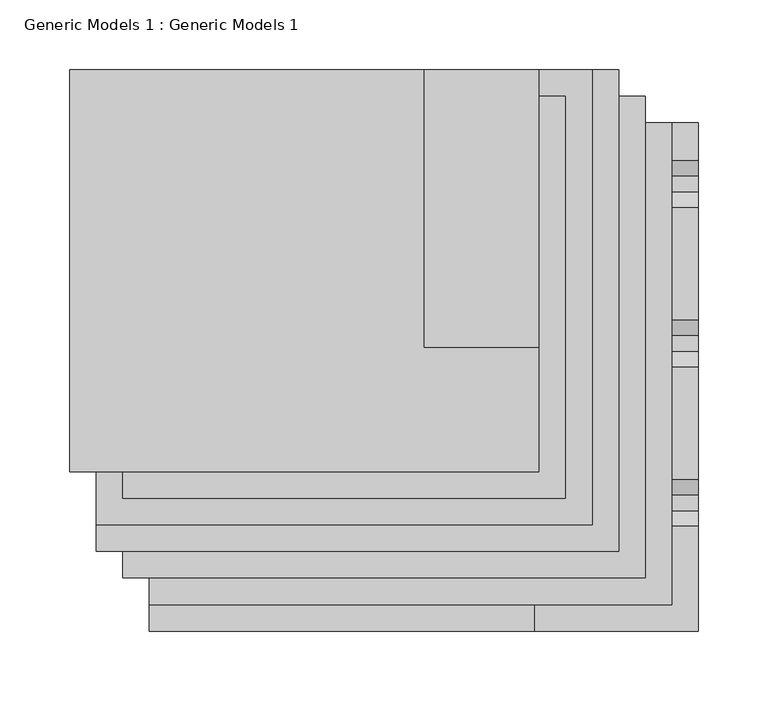
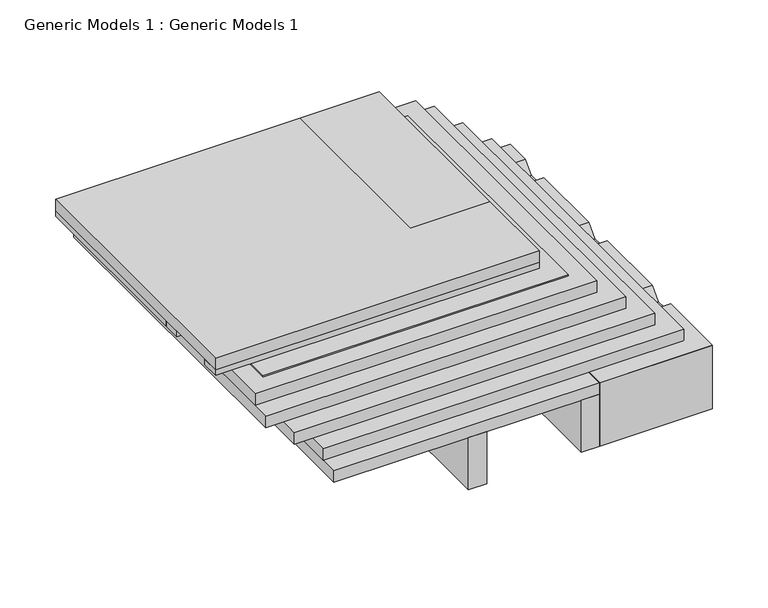
"""IFC4 building model written with IfcOpenShell, lengths in millimetres: proxy geometry, Generic Models 1 : Generic Models 1."""

import ifcopenshell
import ifcopenshell.guid

model = None  # the IFC model being written
_history = None  # IfcOwnerHistory: only IFC2X3 demands one
_inside = {}  # id of a spatial element -> (the spatial element, [elements in it])
_under = {}  # id of a project, library or spatial element -> (it, [spatial elements below it])
_declared = {}  # id of a project -> (the project, [libraries it declares])
_typed = {}  # id of a type object -> (the type object, [elements of that type])
_made_of = {}  # id of a material, layer set ... -> (it, [elements and type objects made of it])


def new_model(schema):
    """Start an empty IFC model of exactly this schema.

    Asked for "IFC4X3", IfcOpenShell would pick the latest addendum, in which some entities
    have other attributes; the version numbers below select the first issue.
    IFC2X3 requires an IfcOwnerHistory on every rooted entity: one is made here for all.
    """
    global model, _history
    if schema == "IFC4X3":
        model = ifcopenshell.file(schema_version=(4, 3, 0, 0))
    else:
        model = ifcopenshell.file(schema=schema)
    _inside.clear()
    _under.clear()
    _declared.clear()
    _typed.clear()
    _made_of.clear()
    _history = None
    if model.schema == "IFC2X3":
        org = make("IfcOrganization", Name="unknown")
        user = make(
            "IfcPersonAndOrganization",
            ThePerson=make("IfcPerson", FamilyName="unknown"),
            TheOrganization=org,
        )
        app = make(
            "IfcApplication",
            ApplicationDeveloper=org,
            Version="unknown",
            ApplicationFullName="unknown",
            ApplicationIdentifier="unknown",
        )
        _history = make(
            "IfcOwnerHistory",
            OwningUser=user,
            OwningApplication=app,
            ChangeAction="ADDED",
            CreationDate=0,
        )
    return model


def make(cls, **values):
    """One entity of the class cls with the attributes given. An attribute that is None is left unset."""
    return model.create_entity(
        cls, **{name: value for name, value in values.items() if value is not None}
    )


def rooted(cls, **values):
    """An entity with a GlobalId (a new one), such as an element, a storey or a relation."""
    return make(cls, GlobalId=ifcopenshell.guid.new(), OwnerHistory=_history, **values)


def si_unit(unit_type, name, prefix=None):
    """IfcSIUnit, for example si_unit("LENGTHUNIT", "METRE", prefix="MILLI")."""
    return make("IfcSIUnit", UnitType=unit_type, Prefix=prefix, Name=name)


def assignment(units):
    """IfcUnitAssignment: the units of a project."""
    return None if units is None else make("IfcUnitAssignment", Units=units)


def point(xyz):
    """IfcCartesianPoint."""
    return None if xyz is None else make("IfcCartesianPoint", Coordinates=xyz)


def direction(xyz):
    """IfcDirection."""
    return None if xyz is None else make("IfcDirection", DirectionRatios=xyz)


def frame(location, z_axis=None, x_axis=None):
    """IfcAxis2Placement3D, a coordinate frame: its origin and axes. An axis left out is left unset."""
    return make(
        "IfcAxis2Placement3D",
        Location=point(location),
        Axis=direction(z_axis),
        RefDirection=direction(x_axis),
    )


def origin():
    """The frame at (0, 0, 0) with its axes left unset."""
    return frame((0.0, 0.0, 0.0))


def place(relative_to, where):
    """IfcLocalPlacement: puts the frame where relative to a parent placement (None: the world)."""
    return make(
        "IfcLocalPlacement", PlacementRelTo=relative_to, RelativePlacement=where
    )


def context(
    kind, dimensions, precision=None, world=None, true_north=None, identifier=None
):
    """IfcGeometricRepresentationContext, for example the 3D "Model" context."""
    return make(
        "IfcGeometricRepresentationContext",
        ContextIdentifier=identifier,
        ContextType=kind,
        CoordinateSpaceDimension=dimensions,
        Precision=precision,
        WorldCoordinateSystem=world,
        TrueNorth=true_north,
    )


def project(units=None, contexts=None):
    """IfcProject with its units and contexts."""
    return rooted(
        "IfcProject",
        Name="project",
        RepresentationContexts=contexts,
        UnitsInContext=assignment(units),
    )


def spatial(cls, under=None, at=None, **own):
    """A site, building, storey or space (cls), placed at a placement, below another one or the project."""
    s = rooted(cls, ObjectPlacement=at, **own)
    if under is not None:
        _under.setdefault(under.id(), (under, []))[1].append(s)
    return s


def polyline(points):
    """IfcPolyline through the points."""
    return make("IfcPolyline", Points=[point(p) for p in points])


def outline(outer, holes=None, kind="AREA"):
    """IfcArbitraryClosedProfileDef: a profile drawn as a closed curve; with holes, ...WithVoids."""
    if holes is None:
        return make("IfcArbitraryClosedProfileDef", ProfileType=kind, OuterCurve=outer)
    return make(
        "IfcArbitraryProfileDefWithVoids",
        ProfileType=kind,
        OuterCurve=outer,
        InnerCurves=holes,
    )


def extrude(swept, where, along, depth):
    """IfcExtrudedAreaSolid: the profile swept, set in the frame where, extruded along a direction by depth."""
    return make(
        "IfcExtrudedAreaSolid",
        SweptArea=swept,
        Position=where,
        ExtrudedDirection=direction(along),
        Depth=depth,
    )


def shape(context_of_items, identifier, shape_type, items):
    """IfcShapeRepresentation: the items that make up one representation, for example the "Body"."""
    return make(
        "IfcShapeRepresentation",
        ContextOfItems=context_of_items,
        RepresentationIdentifier=identifier,
        RepresentationType=shape_type,
        Items=items,
    )


def source(mapping_origin, context_of_items, identifier, shape_type, items):
    """IfcRepresentationMap: a shape defined once, which mapped items show again and again."""
    return make(
        "IfcRepresentationMap",
        MappingOrigin=mapping_origin,
        MappedRepresentation=shape(context_of_items, identifier, shape_type, items),
    )


def transform(
    local_origin,
    x_axis=None,
    y_axis=None,
    z_axis=None,
    scale=None,
    scale2=None,
    scale3=None,
    uniform=True,
):
    """IfcCartesianTransformationOperator3D, or its non-uniform kind. x_axis, y_axis, z_axis: its Axis1, 2, 3."""
    if uniform:
        return make(
            "IfcCartesianTransformationOperator3D",
            Axis1=direction(x_axis),
            Axis2=direction(y_axis),
            LocalOrigin=point(local_origin),
            Scale=scale,
            Axis3=direction(z_axis),
        )
    return make(
        "IfcCartesianTransformationOperator3DnonUniform",
        Axis1=direction(x_axis),
        Axis2=direction(y_axis),
        LocalOrigin=point(local_origin),
        Scale=scale,
        Axis3=direction(z_axis),
        Scale2=scale2,
        Scale3=scale3,
    )


def mapped(mapping_source, mapping_target):
    """IfcMappedItem: shows the shape of a source again, moved by a transform."""
    return make(
        "IfcMappedItem", MappingSource=mapping_source, MappingTarget=mapping_target
    )


def made_of(thing, what):
    """Note that an element or type object is made of a material, layer set ...; save() writes the relation."""
    if what is not None:
        _made_of.setdefault(what.id(), (what, []))[1].append(thing)
    return thing


def element(
    cls,
    number,
    at=None,
    inside=None,
    cuts=None,
    type_object=None,
    material=None,
    context=None,
    identifier="Body",
    shape_type=None,
    held_by="IfcProductDefinitionShape",
    body=None,
    shapes=None,
    **own,
):
    """One element of the class cls, such as IfcWall. Its Tag is "e" and its number.

    at: its placement. inside: the storey or other place that contains it. cuts: it is an
    opening in that element (IfcRelVoidsElement). A single representation is given by context,
    identifier, shape_type and body (its items); several are given by shapes. held_by: the class
    of the entity that holds the representations. save() writes the other relations.
    """
    e = rooted(cls, Tag="e%d" % number, ObjectPlacement=at, **own)
    if body is not None:
        shapes = [shape(context, identifier, shape_type, body)]
    if shapes is not None:
        e.Representation = make(held_by, Representations=shapes)
    if inside is not None:
        _inside.setdefault(inside.id(), (inside, []))[1].append(e)
    if cuts is not None:
        rooted(
            "IfcRelVoidsElement", RelatingBuildingElement=cuts, RelatedOpeningElement=e
        )
    if type_object is not None:
        _typed.setdefault(type_object.id(), (type_object, []))[1].append(e)
    return made_of(e, material)


def aggregate(whole, parts):
    """IfcRelAggregates: a whole, such as a stair, and the parts it consists of."""
    return rooted("IfcRelAggregates", RelatingObject=whole, RelatedObjects=parts)


def save(model, path):
    """Write the relations noted so far, then the file.

    IfcRelAggregates (storeys below a building ...), IfcRelContainedInSpatialStructure (elements
    in a storey), IfcRelDefinesByType, IfcRelAssociatesMaterial and IfcRelDeclares: one each for
    every whole, place, type object, material and project.
    """
    for whole, parts in _under.values():
        aggregate(whole, parts)
    for where, things in _inside.values():
        rooted(
            "IfcRelContainedInSpatialStructure",
            RelatedElements=things,
            RelatingStructure=where,
        )
    for kind, things in _typed.values():
        rooted("IfcRelDefinesByType", RelatedObjects=things, RelatingType=kind)
    for what, things in _made_of.values():
        rooted("IfcRelAssociatesMaterial", RelatedObjects=things, RelatingMaterial=what)
    for by, libraries in _declared.values():
        rooted("IfcRelDeclares", RelatingContext=by, RelatedDefinitions=libraries)
    model.write(path)


def generic_models_1_generic_models_1_71c94fe1(model_context):
    return source(origin(), model_context, "Body", "SweptSolid", [
        extrude(outline(polyline([(-158.75, 114.3), (-158.75, 402.6288588), (95.25, 402.6288588), (95.25, 203.2), (177.8, 203.2), (177.8, 114.3), (-158.75, 114.3)])), frame((0.0, 0.0, 163.5125), z_axis=(0.0, 0.0, 1.0), x_axis=(1.0, 0.0, 0.0)), (0.0, 0.0, 1.0), 12.7),
        extrude(outline(polyline([(95.25, 402.6288588), (177.8, 402.6288588), (177.8, 203.2), (95.25, 203.2), (95.25, 402.6288588)])), frame((0.0, 0.0, 163.5125), z_axis=(0.0, 0.0, 1.0), x_axis=(1.0, 0.0, 0.0)), (0.0, 0.0, 1.0), 12.7),
        extrude(outline(polyline([(-158.75, 402.6288588), (177.8, 402.6288588), (177.8, 203.2), (-158.75, 203.2), (-158.75, 402.6288588)])), frame((0.0, 0.0, 157.1625), z_axis=(0.0, 0.0, 1.0), x_axis=(1.0, 0.0, 0.0)), (0.0, 0.0, 1.0), 6.35),
        extrude(outline(polyline([(-158.75, 203.2), (177.8, 203.2), (177.8, 184.15), (-158.75, 184.15), (-158.75, 203.2)])), frame((0.0, 0.0, 157.1625), z_axis=(0.0, 0.0, 1.0), x_axis=(1.0, 0.0, 0.0)), (0.0, 0.0, 1.0), 6.35),
        extrude(outline(polyline([(-158.75, 133.35), (177.8, 133.35), (177.8, 114.3), (-158.75, 114.3), (-158.75, 133.35)])), frame((0.0, 0.0, 157.1625), z_axis=(0.0, 0.0, 1.0), x_axis=(1.0, 0.0, 0.0)), (0.0, 0.0, 1.0), 6.35),
        extrude(outline(polyline([(-139.7, 402.6288588), (215.9, 402.6288588), (215.9, 76.2), (-139.7, 76.2), (-139.7, 402.6288588)])), frame((0.0, 0.0, 140.49375), z_axis=(0.0, 0.0, 1.0), x_axis=(1.0, 0.0, 0.0)), (0.0, 0.0, 1.0), 12.7),
        extrude(outline(polyline([(-139.7, 402.6288588), (234.95, 402.6288588), (234.95, 57.15), (-139.7, 57.15), (-139.7, 402.6288588)])), frame((0.0, 0.0, 127.79375), z_axis=(0.0, 0.0, 1.0), x_axis=(1.0, 0.0, 0.0)), (0.0, 0.0, 1.0), 12.7),
        extrude(outline(polyline([(-120.65, 383.5788588), (254.0, 383.5788588), (254.0, 38.1), (-120.65, 38.1), (-120.65, 383.5788588)])), frame((0.0, 0.0, 114.3), z_axis=(0.0, 0.0, 1.0), x_axis=(1.0, 0.0, 0.0)), (0.0, 0.0, 1.0), 12.7),
        extrude(outline(polyline([(228.670593, 44.45), (196.920593, 76.2), (201.410721, 76.2), (231.845593, 45.7651281), (262.2804649, 76.2), (266.770593, 76.2), (235.020593, 44.45), (228.670593, 44.45)])), frame((287.3375, 0.0, 0.0), z_axis=(1.0, 0.0, 0.0), x_axis=(0.0, 1.0, 0.0)), (0.0, 0.0, 1.0), 3.175),
        extrude(outline(polyline([(110.7911863, 44.45), (79.0411863, 76.2), (83.5313144, 76.2), (113.9661863, 45.7651281), (144.4010583, 76.2), (148.8911863, 76.2), (117.1411863, 44.45), (110.7911863, 44.45)])), frame((287.3375, 0.0, 0.0), z_axis=(1.0, 0.0, 0.0), x_axis=(0.0, 1.0, 0.0)), (0.0, 0.0, 1.0), 3.175),
        extrude(outline(polyline([(364.5288588, 88.9), (364.5288588, 76.2), (25.4, 76.2), (12.7, 88.9), (364.5288588, 88.9)])), frame((285.75, 0.0, 0.0), z_axis=(1.0, 0.0, 0.0), x_axis=(0.0, 1.0, 0.0)), (0.0, 0.0, 1.0), 6.35),
        extrude(outline(polyline([(364.5288588, 31.75), (69.85, 31.75), (57.15, 44.45), (364.5288588, 44.45), (364.5288588, 31.75)])), frame((285.75, 0.0, 0.0), z_axis=(1.0, 0.0, 0.0), x_axis=(0.0, 1.0, 0.0)), (0.0, 0.0, 1.0), 6.35),
        extrude(outline(polyline([(75.3364053, 101.6), (86.4489053, 90.4875), (97.8337772, 90.4875), (108.9462772, 101.6), (189.6364053, 101.6), (200.7489053, 90.4875), (212.1337772, 90.4875), (223.2462772, 101.6), (303.9364053, 101.6), (315.0489053, 90.4875), (326.4337772, 90.4875), (337.5462772, 101.6), (364.5288588, 101.6), (364.5288588, 100.0125), (338.2038412, 100.0125), (327.0913412, 88.9), (314.3913412, 88.9), (303.2788412, 100.0125), (223.9038412, 100.0125), (212.7913412, 88.9), (200.0913412, 88.9), (188.9788412, 100.0125), (109.6038412, 100.0125), (98.4913412, 88.9), (85.7913412, 88.9), (74.6788412, 100.0125), (1.5875, 100.0125), (0.0, 101.6), (75.3364053, 101.6)])), frame((174.625, 0.0, 0.0), z_axis=(1.0, 0.0, 0.0), x_axis=(0.0, 1.0, 0.0)), (0.0, 0.0, 1.0), 117.475),
        extrude(outline(polyline([(0.0, 31.75), (0.0, 101.6), (69.85, 31.75), (0.0, 31.75)])), frame((174.625, 0.0, 0.0), z_axis=(1.0, 0.0, 0.0), x_axis=(0.0, 1.0, 0.0)), (0.0, 0.0, 1.0), 117.475),
        extrude(outline(polyline([(-120.65, 383.5788588), (196.85, 383.5788588), (196.85, 95.25), (-120.65, 95.25), (-120.65, 383.5788588)])), frame((0.0, 0.0, 153.19375), z_axis=(0.0, 0.0, 1.0), x_axis=(1.0, 0.0, 0.0)), (0.0, 0.0, 1.0), 1.5875),
        extrude(outline(polyline([(-101.6, 364.5288588), (273.05, 364.5288588), (273.05, 19.05), (-101.6, 19.05), (-101.6, 364.5288588)])), frame((0.0, 0.0, 101.6), z_axis=(0.0, 0.0, 1.0), x_axis=(1.0, 0.0, 0.0)), (0.0, 0.0, 1.0), 12.7),
        extrude(outline(polyline([(57.15, 0.0), (38.1, 0.0), (38.1, 261.3017557), (57.15, 261.3017557), (57.15, 0.0)])), frame((0.0, 0.0, 31.75), z_axis=(0.0, 0.0, 1.0), x_axis=(1.0, 0.0, 0.0)), (0.0, 0.0, 1.0), 57.15),
        extrude(outline(polyline([(174.625, 0.0), (155.575, 0.0), (155.575, 261.3017557), (174.625, 261.3017557), (174.625, 0.0)])), frame((0.0, 0.0, 31.75), z_axis=(0.0, 0.0, 1.0), x_axis=(1.0, 0.0, 0.0)), (0.0, 0.0, 1.0), 57.15),
        extrude(outline(polyline([(-101.6, 364.5288588), (174.625, 364.5288588), (174.625, 0.0), (-101.6, 0.0), (-101.6, 364.5288588)])), frame((0.0, 0.0, 88.9), z_axis=(0.0, 0.0, 1.0), x_axis=(1.0, 0.0, 0.0)), (0.0, 0.0, 1.0), 12.7),
    ])


if __name__ == "__main__":
    model = new_model("IFC4")
    model_context = context("Model", 3, world=origin())
    ifc_project = project(units=[si_unit("LENGTHUNIT", "METRE", prefix="MILLI")], contexts=[model_context])
    site = spatial("IfcSite", under=ifc_project)
    building = spatial("IfcBuilding", under=site)
    placement = place(None, origin())
    generic_models_1_generic_models_1_shape = generic_models_1_generic_models_1_71c94fe1(model_context)
    element("IfcBuildingElementProxy", 1, Name="Generic Models 1 : Generic Models 1", ObjectType="Generic Models 1 : Generic Models 1", at=placement, inside=building, context=model_context, shape_type="MappedRepresentation", body=[
        mapped(generic_models_1_generic_models_1_shape, transform((0.0, 0.0, 0.0), x_axis=(1.0, 0.0, 0.0), y_axis=(0.0, 1.0, 0.0), z_axis=(0.0, 0.0, 1.0))),
    ])
    save(model, "model.ifc")
